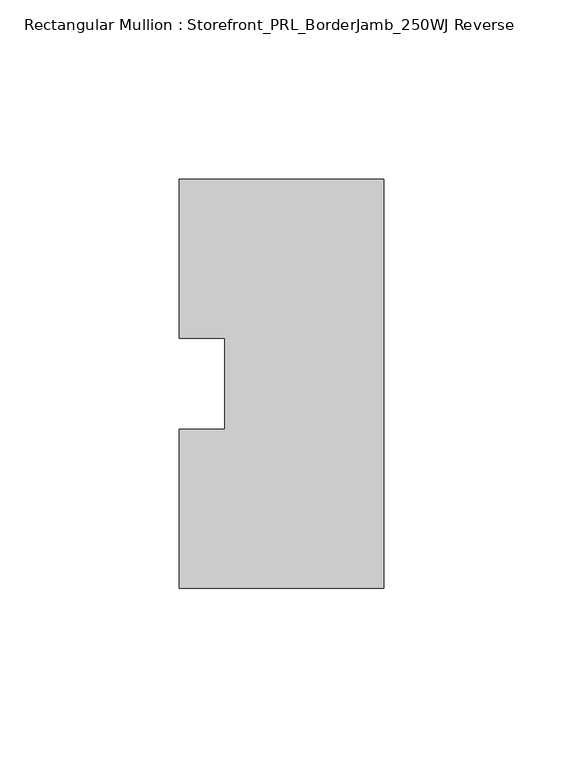
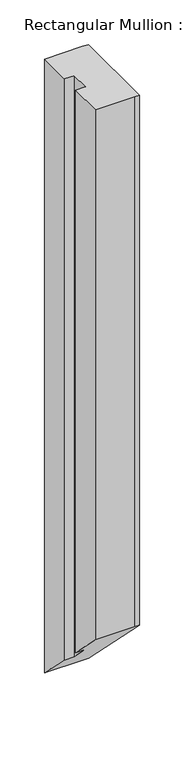
"""IFC4 building model written with IfcOpenShell, lengths in millimetres: member geometry, Rectangular Mullion : Storefront_PRL_BorderJamb_250WJ Reverse."""

from ifc_helpers import new_model, si_unit, origin, place, context, project, spatial, faceted_brep, source, transform, mapped, element, save


def rectangular_mullion_storefront_prl_borderjamb_250wj_reverse_602bcc86(model_context):
    return source(origin(), model_context, "Body", "Brep", [
        faceted_brep([(-44.45, -12.7, 0.0), (-57.15, -12.7, 0.0), (-57.15, -57.15, 0.0), (-6.35, -57.15, 0.0), (0.0, -57.15, 0.0), (0.0, 57.15, 0.0), (-7.3958824, 57.15, 0.0), (-57.15, 57.15, 0.0), (-57.15, 12.7, 0.0), (-44.45, 12.7, 0.0), (-44.45, -12.7, -770.4666667), (-57.15, -12.7, -770.4666667), (-57.15, -57.15, -726.0166667), (-6.35, -57.15, -726.0166667), (0.0, -57.15, -726.0166667), (0.0, 57.15, -840.3166667), (-7.3958824, 57.15, -840.3166667), (-57.15, 57.15, -840.3166667), (-57.15, 12.7, -795.8666667), (-44.45, 12.7, -795.8666667)], [[[0, 1, 2, 3, 4, 5, 6, 7, 8, 9]], [[1, 0, 10, 11]], [[2, 1, 11, 12]], [[3, 2, 12, 13]], [[4, 3, 13, 14]], [[5, 4, 14, 15]], [[6, 5, 15, 16]], [[7, 6, 16, 17]], [[8, 7, 17, 18]], [[9, 8, 18, 19]], [[0, 9, 19, 10]], [[10, 19, 18, 17, 16, 15, 14, 13, 12, 11]]]),
    ])


if __name__ == "__main__":
    model = new_model("IFC4")
    model_context = context("Model", 3, world=origin())
    ifc_project = project(units=[si_unit("LENGTHUNIT", "METRE", prefix="MILLI")], contexts=[model_context])
    site = spatial("IfcSite", under=ifc_project)
    building = spatial("IfcBuilding", under=site)
    placement = place(None, origin())
    rectangular_mullion_storefront_prl_borderjamb_250wj_reverse_shape = rectangular_mullion_storefront_prl_borderjamb_250wj_reverse_602bcc86(model_context)
    element("IfcMember", 1, ObjectType="Rectangular Mullion : Storefront_PRL_BorderJamb_250WJ Reverse", at=placement, inside=building, context=model_context, shape_type="MappedRepresentation", body=[
        mapped(rectangular_mullion_storefront_prl_borderjamb_250wj_reverse_shape, transform((0.0, 0.0, 0.0), x_axis=(1.0, 0.0, 0.0), y_axis=(0.0, 1.0, 0.0), z_axis=(0.0, 0.0, 1.0))),
    ])
    save(model, "model.ifc")
